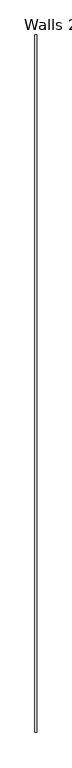
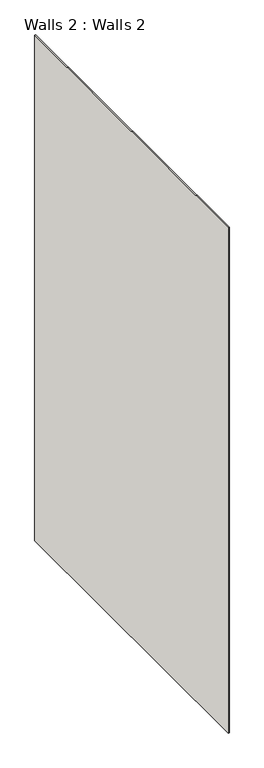
"""IFC4 building model written with IfcOpenShell, lengths in millimetres: wall geometry, Walls 2 : Walls 2."""

from ifc_helpers import new_model, si_unit, frame, origin, place, context, project, spatial, polyline, outline, extrude, source, transform, mapped, element, save


def walls_2_walls_2_b8795f41(model_context):
    return source(origin(), model_context, "Body", "SweptSolid", [
        extrude(outline(polyline([(1443.5414786, -8627.3283265), (1443.5414786, -7252.3283265), (1447.3819848, -7252.3283265), (1447.3819848, -8627.3283265), (1443.5414786, -8627.3283265)])), frame((0.0, 0.0, 150.0), z_axis=(0.0, 0.0, 1.0), x_axis=(1.0, 0.0, 0.0)), (0.0, 0.0, 1.0), 2190.4434015),
    ])


if __name__ == "__main__":
    model = new_model("IFC4")
    model_context = context("Model", 3, world=origin())
    ifc_project = project(units=[si_unit("LENGTHUNIT", "METRE", prefix="MILLI")], contexts=[model_context])
    site = spatial("IfcSite", under=ifc_project)
    building = spatial("IfcBuilding", under=site)
    placement = place(None, origin())
    walls_2_walls_2_shape = walls_2_walls_2_b8795f41(model_context)
    element("IfcWall", 1, ObjectType="Walls 2 : Walls 2", at=placement, inside=building, context=model_context, shape_type="MappedRepresentation", body=[
        mapped(walls_2_walls_2_shape, transform((0.0, 0.0, 0.0), x_axis=(1.0, 0.0, 0.0), y_axis=(0.0, 1.0, 0.0), z_axis=(0.0, 0.0, 1.0))),
    ])
    save(model, "model.ifc")
